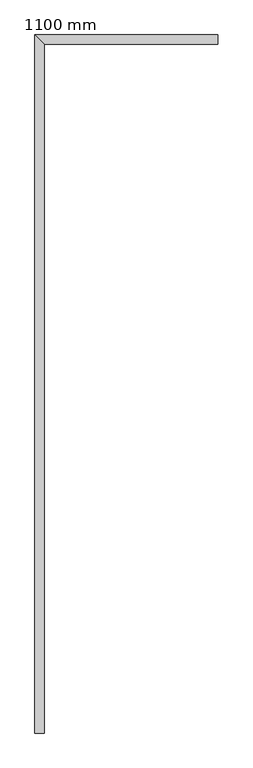
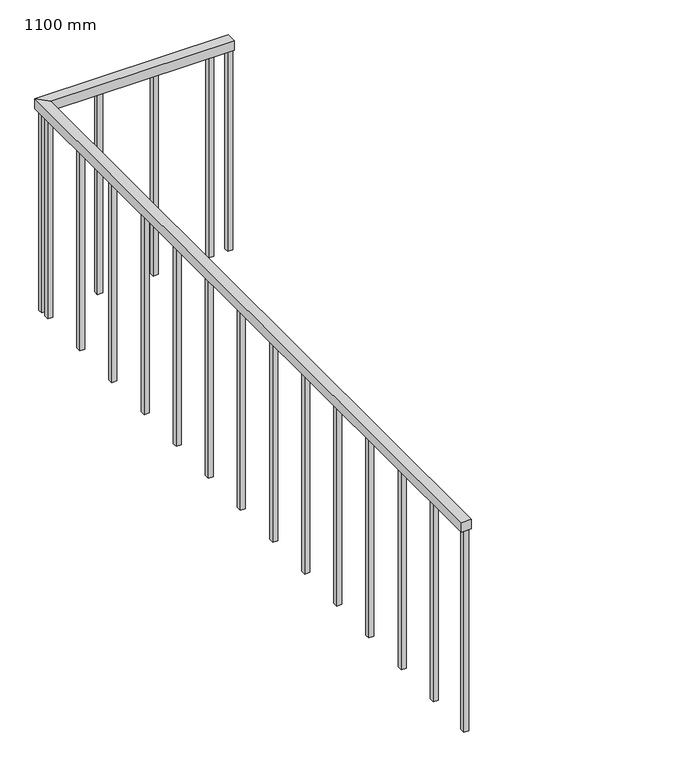
"""IFC4 building model written with IfcOpenShell, lengths in millimetres: railing geometry, 1100 mm."""

from ifc_helpers import new_model, si_unit, frame, origin, place, context, project, spatial, polyline, outline, extrude, faceted_brep, source, transform, mapped, element, save


def railing_1100_mm_ab0384bb(model_context):
    return source(origin(), model_context, "Body", "SolidModel", [
        faceted_brep([(-596.3333557, -1247.5476232, 9500.0), (-646.3333557, -1247.5476232, 9500.0), (-646.3333557, -1247.5476232, 9450.0), (-596.3333557, -1247.5476232, 9450.0), (-596.3333557, 2352.4523768, 9500.0), (-646.3333557, 2402.4523768, 9500.0), (-646.3333557, 2402.4523768, 9450.0), (-596.3333557, 2352.4523768, 9450.0), (309.5275333, 2352.4523768, 9500.0), (309.5275333, 2352.4523768, 9450.0), (309.5275333, 2402.4523768, 9450.0), (309.5275333, 2402.4523768, 9500.0)], [[[0, 1, 2, 3]], [[1, 0, 4, 5]], [[2, 1, 5, 6]], [[3, 2, 6, 7]], [[0, 3, 7, 4]], [[8, 9, 10, 11]], [[5, 4, 8, 11]], [[6, 5, 11, 10]], [[7, 6, 10, 9]], [[4, 7, 9, 8]]]),
        extrude(outline(polyline([(191.1666443, 2364.9523768), (191.1666443, 2389.9523768), (216.1666443, 2389.9523768), (216.1666443, 2364.9523768), (191.1666443, 2364.9523768)])), frame((0.0, 0.0, 8400.0), z_axis=(0.0, 0.0, 1.0), x_axis=(1.0, 0.0, 0.0)), (0.0, 0.0, 1.0), 1050.0),
        extrude(outline(polyline([(-83.8333557, 2364.9523768), (-83.8333557, 2389.9523768), (-58.8333557, 2389.9523768), (-58.8333557, 2364.9523768), (-83.8333557, 2364.9523768)])), frame((0.0, 0.0, 8400.0), z_axis=(0.0, 0.0, 1.0), x_axis=(1.0, 0.0, 0.0)), (0.0, 0.0, 1.0), 1050.0),
        extrude(outline(polyline([(-358.8333557, 2364.9523768), (-358.8333557, 2389.9523768), (-333.8333557, 2389.9523768), (-333.8333557, 2364.9523768), (-358.8333557, 2364.9523768)])), frame((0.0, 0.0, 8400.0), z_axis=(0.0, 0.0, 1.0), x_axis=(1.0, 0.0, 0.0)), (0.0, 0.0, 1.0), 1050.0),
        extrude(outline(polyline([(-608.8333557, 2314.9523768), (-633.8333557, 2314.9523768), (-633.8333557, 2339.9523768), (-608.8333557, 2339.9523768), (-608.8333557, 2314.9523768)])), frame((0.0, 0.0, 8400.0), z_axis=(0.0, 0.0, 1.0), x_axis=(1.0, 0.0, 0.0)), (0.0, 0.0, 1.0), 1050.0),
        extrude(outline(polyline([(-608.8333557, 2039.9523768), (-633.8333557, 2039.9523768), (-633.8333557, 2064.9523768), (-608.8333557, 2064.9523768), (-608.8333557, 2039.9523768)])), frame((0.0, 0.0, 8400.0), z_axis=(0.0, 0.0, 1.0), x_axis=(1.0, 0.0, 0.0)), (0.0, 0.0, 1.0), 1050.0),
        extrude(outline(polyline([(-608.8333557, 1764.9523768), (-633.8333557, 1764.9523768), (-633.8333557, 1789.9523768), (-608.8333557, 1789.9523768), (-608.8333557, 1764.9523768)])), frame((0.0, 0.0, 8400.0), z_axis=(0.0, 0.0, 1.0), x_axis=(1.0, 0.0, 0.0)), (0.0, 0.0, 1.0), 1050.0),
        extrude(outline(polyline([(-608.8333557, 1489.9523768), (-633.8333557, 1489.9523768), (-633.8333557, 1514.9523768), (-608.8333557, 1514.9523768), (-608.8333557, 1489.9523768)])), frame((0.0, 0.0, 8400.0), z_axis=(0.0, 0.0, 1.0), x_axis=(1.0, 0.0, 0.0)), (0.0, 0.0, 1.0), 1050.0),
        extrude(outline(polyline([(-608.8333557, 1214.9523768), (-633.8333557, 1214.9523768), (-633.8333557, 1239.9523768), (-608.8333557, 1239.9523768), (-608.8333557, 1214.9523768)])), frame((0.0, 0.0, 8400.0), z_axis=(0.0, 0.0, 1.0), x_axis=(1.0, 0.0, 0.0)), (0.0, 0.0, 1.0), 1050.0),
        extrude(outline(polyline([(-608.8333557, 939.9523768), (-633.8333557, 939.9523768), (-633.8333557, 964.9523768), (-608.8333557, 964.9523768), (-608.8333557, 939.9523768)])), frame((0.0, 0.0, 8400.0), z_axis=(0.0, 0.0, 1.0), x_axis=(1.0, 0.0, 0.0)), (0.0, 0.0, 1.0), 1050.0),
        extrude(outline(polyline([(-608.8333557, 664.9523768), (-633.8333557, 664.9523768), (-633.8333557, 689.9523768), (-608.8333557, 689.9523768), (-608.8333557, 664.9523768)])), frame((0.0, 0.0, 8400.0), z_axis=(0.0, 0.0, 1.0), x_axis=(1.0, 0.0, 0.0)), (0.0, 0.0, 1.0), 1050.0),
        extrude(outline(polyline([(-608.8333557, 389.9523768), (-633.8333557, 389.9523768), (-633.8333557, 414.9523768), (-608.8333557, 414.9523768), (-608.8333557, 389.9523768)])), frame((0.0, 0.0, 8400.0), z_axis=(0.0, 0.0, 1.0), x_axis=(1.0, 0.0, 0.0)), (0.0, 0.0, 1.0), 1050.0),
        extrude(outline(polyline([(-608.8333557, 114.9523768), (-633.8333557, 114.9523768), (-633.8333557, 139.9523768), (-608.8333557, 139.9523768), (-608.8333557, 114.9523768)])), frame((0.0, 0.0, 8400.0), z_axis=(0.0, 0.0, 1.0), x_axis=(1.0, 0.0, 0.0)), (0.0, 0.0, 1.0), 1050.0),
        extrude(outline(polyline([(-608.8333557, -160.0476232), (-633.8333557, -160.0476232), (-633.8333557, -135.0476232), (-608.8333557, -135.0476232), (-608.8333557, -160.0476232)])), frame((0.0, 0.0, 8400.0), z_axis=(0.0, 0.0, 1.0), x_axis=(1.0, 0.0, 0.0)), (0.0, 0.0, 1.0), 1050.0),
        extrude(outline(polyline([(-608.8333557, -435.0476232), (-633.8333557, -435.0476232), (-633.8333557, -410.0476232), (-608.8333557, -410.0476232), (-608.8333557, -435.0476232)])), frame((0.0, 0.0, 8400.0), z_axis=(0.0, 0.0, 1.0), x_axis=(1.0, 0.0, 0.0)), (0.0, 0.0, 1.0), 1050.0),
        extrude(outline(polyline([(-608.8333557, -710.0476232), (-633.8333557, -710.0476232), (-633.8333557, -685.0476232), (-608.8333557, -685.0476232), (-608.8333557, -710.0476232)])), frame((0.0, 0.0, 8400.0), z_axis=(0.0, 0.0, 1.0), x_axis=(1.0, 0.0, 0.0)), (0.0, 0.0, 1.0), 1050.0),
        extrude(outline(polyline([(-608.8333557, -985.0476232), (-633.8333557, -985.0476232), (-633.8333557, -960.0476232), (-608.8333557, -960.0476232), (-608.8333557, -985.0476232)])), frame((0.0, 0.0, 8400.0), z_axis=(0.0, 0.0, 1.0), x_axis=(1.0, 0.0, 0.0)), (0.0, 0.0, 1.0), 1050.0),
        extrude(outline(polyline([(-608.8333557, 2364.9523768), (-633.8333557, 2364.9523768), (-633.8333557, 2389.9523768), (-608.8333557, 2389.9523768), (-608.8333557, 2364.9523768)])), frame((0.0, 0.0, 8400.0), z_axis=(0.0, 0.0, 1.0), x_axis=(1.0, 0.0, 0.0)), (0.0, 0.0, 1.0), 1050.0),
        extrude(outline(polyline([(284.5275333, 2364.9523768), (284.5275333, 2389.9523768), (309.5275333, 2389.9523768), (309.5275333, 2364.9523768), (284.5275333, 2364.9523768)])), frame((0.0, 0.0, 8400.0), z_axis=(0.0, 0.0, 1.0), x_axis=(1.0, 0.0, 0.0)), (0.0, 0.0, 1.0), 1050.0),
        extrude(outline(polyline([(-608.8333557, -1247.5476232), (-633.8333557, -1247.5476232), (-633.8333557, -1222.5476232), (-608.8333557, -1222.5476232), (-608.8333557, -1247.5476232)])), frame((0.0, 0.0, 8400.0), z_axis=(0.0, 0.0, 1.0), x_axis=(1.0, 0.0, 0.0)), (0.0, 0.0, 1.0), 1050.0),
    ])


if __name__ == "__main__":
    model = new_model("IFC4")
    model_context = context("Model", 3, world=origin())
    ifc_project = project(units=[si_unit("LENGTHUNIT", "METRE", prefix="MILLI")], contexts=[model_context])
    site = spatial("IfcSite", under=ifc_project)
    building = spatial("IfcBuilding", under=site)
    placement = place(None, origin())
    railing_1100_mm_shape = railing_1100_mm_ab0384bb(model_context)
    element("IfcRailing", 1, ObjectType="1100 mm", at=placement, inside=building, context=model_context, shape_type="MappedRepresentation", body=[
        mapped(railing_1100_mm_shape, transform((0.0, 0.0, 0.0), x_axis=(1.0, 0.0, 0.0), y_axis=(0.0, 1.0, 0.0), z_axis=(0.0, 0.0, 1.0))),
    ])
    save(model, "model.ifc")
